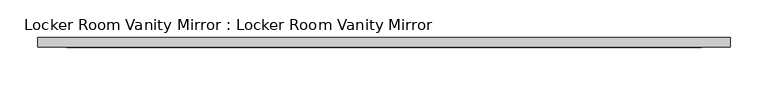
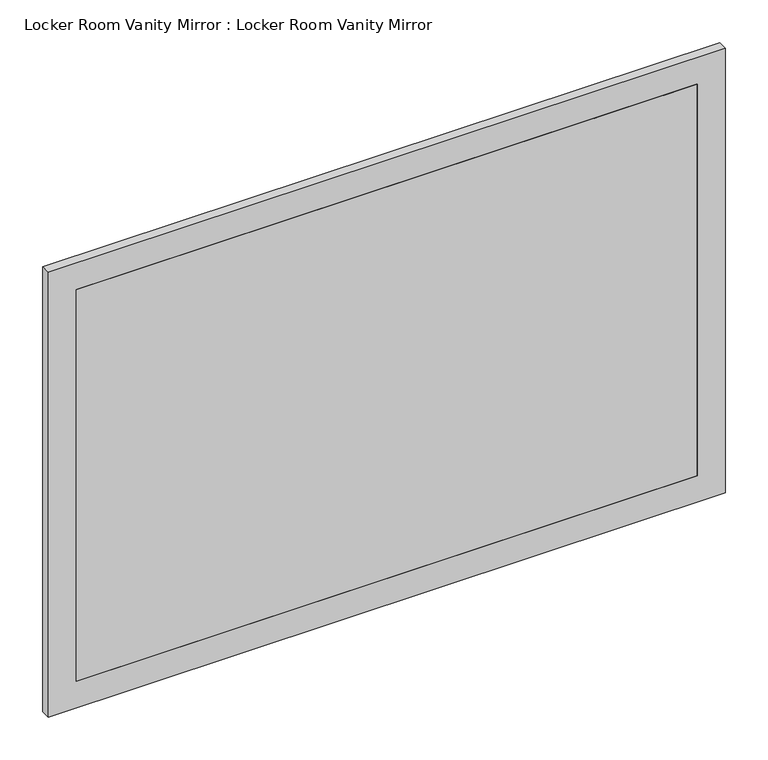
"""IFC4 building model written with IfcOpenShell, lengths in millimetres: furniture geometry, Locker Room Vanity Mirror : Locker Room Vanity Mirror."""

import ifcopenshell
import ifcopenshell.guid

model = None  # the IFC model being written
_history = None  # IfcOwnerHistory: only IFC2X3 demands one
_inside = {}  # id of a spatial element -> (the spatial element, [elements in it])
_under = {}  # id of a project, library or spatial element -> (it, [spatial elements below it])
_declared = {}  # id of a project -> (the project, [libraries it declares])
_typed = {}  # id of a type object -> (the type object, [elements of that type])
_made_of = {}  # id of a material, layer set ... -> (it, [elements and type objects made of it])


def new_model(schema):
    """Start an empty IFC model of exactly this schema.

    Asked for "IFC4X3", IfcOpenShell would pick the latest addendum, in which some entities
    have other attributes; the version numbers below select the first issue.
    IFC2X3 requires an IfcOwnerHistory on every rooted entity: one is made here for all.
    """
    global model, _history
    if schema == "IFC4X3":
        model = ifcopenshell.file(schema_version=(4, 3, 0, 0))
    else:
        model = ifcopenshell.file(schema=schema)
    _inside.clear()
    _under.clear()
    _declared.clear()
    _typed.clear()
    _made_of.clear()
    _history = None
    if model.schema == "IFC2X3":
        org = make("IfcOrganization", Name="unknown")
        user = make(
            "IfcPersonAndOrganization",
            ThePerson=make("IfcPerson", FamilyName="unknown"),
            TheOrganization=org,
        )
        app = make(
            "IfcApplication",
            ApplicationDeveloper=org,
            Version="unknown",
            ApplicationFullName="unknown",
            ApplicationIdentifier="unknown",
        )
        _history = make(
            "IfcOwnerHistory",
            OwningUser=user,
            OwningApplication=app,
            ChangeAction="ADDED",
            CreationDate=0,
        )
    return model


def make(cls, **values):
    """One entity of the class cls with the attributes given. An attribute that is None is left unset."""
    return model.create_entity(
        cls, **{name: value for name, value in values.items() if value is not None}
    )


def rooted(cls, **values):
    """An entity with a GlobalId (a new one), such as an element, a storey or a relation."""
    return make(cls, GlobalId=ifcopenshell.guid.new(), OwnerHistory=_history, **values)


def si_unit(unit_type, name, prefix=None):
    """IfcSIUnit, for example si_unit("LENGTHUNIT", "METRE", prefix="MILLI")."""
    return make("IfcSIUnit", UnitType=unit_type, Prefix=prefix, Name=name)


def assignment(units):
    """IfcUnitAssignment: the units of a project."""
    return None if units is None else make("IfcUnitAssignment", Units=units)


def point(xyz):
    """IfcCartesianPoint."""
    return None if xyz is None else make("IfcCartesianPoint", Coordinates=xyz)


def direction(xyz):
    """IfcDirection."""
    return None if xyz is None else make("IfcDirection", DirectionRatios=xyz)


def frame(location, z_axis=None, x_axis=None):
    """IfcAxis2Placement3D, a coordinate frame: its origin and axes. An axis left out is left unset."""
    return make(
        "IfcAxis2Placement3D",
        Location=point(location),
        Axis=direction(z_axis),
        RefDirection=direction(x_axis),
    )


def origin():
    """The frame at (0, 0, 0) with its axes left unset."""
    return frame((0.0, 0.0, 0.0))


def place(relative_to, where):
    """IfcLocalPlacement: puts the frame where relative to a parent placement (None: the world)."""
    return make(
        "IfcLocalPlacement", PlacementRelTo=relative_to, RelativePlacement=where
    )


def context(
    kind, dimensions, precision=None, world=None, true_north=None, identifier=None
):
    """IfcGeometricRepresentationContext, for example the 3D "Model" context."""
    return make(
        "IfcGeometricRepresentationContext",
        ContextIdentifier=identifier,
        ContextType=kind,
        CoordinateSpaceDimension=dimensions,
        Precision=precision,
        WorldCoordinateSystem=world,
        TrueNorth=true_north,
    )


def project(units=None, contexts=None):
    """IfcProject with its units and contexts."""
    return rooted(
        "IfcProject",
        Name="project",
        RepresentationContexts=contexts,
        UnitsInContext=assignment(units),
    )


def spatial(cls, under=None, at=None, **own):
    """A site, building, storey or space (cls), placed at a placement, below another one or the project."""
    s = rooted(cls, ObjectPlacement=at, **own)
    if under is not None:
        _under.setdefault(under.id(), (under, []))[1].append(s)
    return s


def polyline(points):
    """IfcPolyline through the points."""
    return make("IfcPolyline", Points=[point(p) for p in points])


def outline(outer, holes=None, kind="AREA"):
    """IfcArbitraryClosedProfileDef: a profile drawn as a closed curve; with holes, ...WithVoids."""
    if holes is None:
        return make("IfcArbitraryClosedProfileDef", ProfileType=kind, OuterCurve=outer)
    return make(
        "IfcArbitraryProfileDefWithVoids",
        ProfileType=kind,
        OuterCurve=outer,
        InnerCurves=holes,
    )


def extrude(swept, where, along, depth):
    """IfcExtrudedAreaSolid: the profile swept, set in the frame where, extruded along a direction by depth."""
    return make(
        "IfcExtrudedAreaSolid",
        SweptArea=swept,
        Position=where,
        ExtrudedDirection=direction(along),
        Depth=depth,
    )


def shape(context_of_items, identifier, shape_type, items):
    """IfcShapeRepresentation: the items that make up one representation, for example the "Body"."""
    return make(
        "IfcShapeRepresentation",
        ContextOfItems=context_of_items,
        RepresentationIdentifier=identifier,
        RepresentationType=shape_type,
        Items=items,
    )


def source(mapping_origin, context_of_items, identifier, shape_type, items):
    """IfcRepresentationMap: a shape defined once, which mapped items show again and again."""
    return make(
        "IfcRepresentationMap",
        MappingOrigin=mapping_origin,
        MappedRepresentation=shape(context_of_items, identifier, shape_type, items),
    )


def transform(
    local_origin,
    x_axis=None,
    y_axis=None,
    z_axis=None,
    scale=None,
    scale2=None,
    scale3=None,
    uniform=True,
):
    """IfcCartesianTransformationOperator3D, or its non-uniform kind. x_axis, y_axis, z_axis: its Axis1, 2, 3."""
    if uniform:
        return make(
            "IfcCartesianTransformationOperator3D",
            Axis1=direction(x_axis),
            Axis2=direction(y_axis),
            LocalOrigin=point(local_origin),
            Scale=scale,
            Axis3=direction(z_axis),
        )
    return make(
        "IfcCartesianTransformationOperator3DnonUniform",
        Axis1=direction(x_axis),
        Axis2=direction(y_axis),
        LocalOrigin=point(local_origin),
        Scale=scale,
        Axis3=direction(z_axis),
        Scale2=scale2,
        Scale3=scale3,
    )


def mapped(mapping_source, mapping_target):
    """IfcMappedItem: shows the shape of a source again, moved by a transform."""
    return make(
        "IfcMappedItem", MappingSource=mapping_source, MappingTarget=mapping_target
    )


def made_of(thing, what):
    """Note that an element or type object is made of a material, layer set ...; save() writes the relation."""
    if what is not None:
        _made_of.setdefault(what.id(), (what, []))[1].append(thing)
    return thing


def element(
    cls,
    number,
    at=None,
    inside=None,
    cuts=None,
    type_object=None,
    material=None,
    context=None,
    identifier="Body",
    shape_type=None,
    held_by="IfcProductDefinitionShape",
    body=None,
    shapes=None,
    **own,
):
    """One element of the class cls, such as IfcWall. Its Tag is "e" and its number.

    at: its placement. inside: the storey or other place that contains it. cuts: it is an
    opening in that element (IfcRelVoidsElement). A single representation is given by context,
    identifier, shape_type and body (its items); several are given by shapes. held_by: the class
    of the entity that holds the representations. save() writes the other relations.
    """
    e = rooted(cls, Tag="e%d" % number, ObjectPlacement=at, **own)
    if body is not None:
        shapes = [shape(context, identifier, shape_type, body)]
    if shapes is not None:
        e.Representation = make(held_by, Representations=shapes)
    if inside is not None:
        _inside.setdefault(inside.id(), (inside, []))[1].append(e)
    if cuts is not None:
        rooted(
            "IfcRelVoidsElement", RelatingBuildingElement=cuts, RelatedOpeningElement=e
        )
    if type_object is not None:
        _typed.setdefault(type_object.id(), (type_object, []))[1].append(e)
    return made_of(e, material)


def aggregate(whole, parts):
    """IfcRelAggregates: a whole, such as a stair, and the parts it consists of."""
    return rooted("IfcRelAggregates", RelatingObject=whole, RelatedObjects=parts)


def save(model, path):
    """Write the relations noted so far, then the file.

    IfcRelAggregates (storeys below a building ...), IfcRelContainedInSpatialStructure (elements
    in a storey), IfcRelDefinesByType, IfcRelAssociatesMaterial and IfcRelDeclares: one each for
    every whole, place, type object, material and project.
    """
    for whole, parts in _under.values():
        aggregate(whole, parts)
    for where, things in _inside.values():
        rooted(
            "IfcRelContainedInSpatialStructure",
            RelatedElements=things,
            RelatingStructure=where,
        )
    for kind, things in _typed.values():
        rooted("IfcRelDefinesByType", RelatedObjects=things, RelatingType=kind)
    for what, things in _made_of.values():
        rooted("IfcRelAssociatesMaterial", RelatedObjects=things, RelatingMaterial=what)
    for by, libraries in _declared.values():
        rooted("IfcRelDeclares", RelatingContext=by, RelatedDefinitions=libraries)
    model.write(path)


def locker_room_vanity_mirror_locker_room_vanity_mirror_1e8f864a(model_context):
    return source(origin(), model_context, "Body", "SweptSolid", [
        extrude(outline(polyline([(419.1, 3.175), (419.1, 0.0), (-419.1, 0.0), (-419.1, 3.175), (419.1, 3.175)])), frame((0.0, 0.0, 38.1), z_axis=(0.0, 0.0, 1.0), x_axis=(1.0, 0.0, 0.0)), (0.0, 0.0, 1.0), 558.8),
        extrude(outline(polyline([(419.1, 3.175), (419.1, 0.0), (-419.1, 0.0), (-419.1, 3.175), (419.1, 3.175)])), frame((0.0, 0.0, 38.1), z_axis=(0.0, 0.0, 1.0), x_axis=(1.0, 0.0, 0.0)), (0.0, 0.0, 1.0), 558.8),
        extrude(outline(polyline([(635.0, 457.2), (635.0, -457.2), (0.0, -457.2), (0.0, 457.2), (635.0, 457.2)]), holes=[polyline([(596.9, -419.1), (596.9, 419.1), (38.1, 419.1), (38.1, -419.1), (596.9, -419.1)])]), frame((0.0, 0.0, 0.0), z_axis=(0.0, 1.0, 0.0), x_axis=(0.0, 0.0, 1.0)), (0.0, 0.0, 1.0), 12.7),
    ])


if __name__ == "__main__":
    model = new_model("IFC4")
    model_context = context("Model", 3, world=origin())
    ifc_project = project(units=[si_unit("LENGTHUNIT", "METRE", prefix="MILLI")], contexts=[model_context])
    site = spatial("IfcSite", under=ifc_project)
    building = spatial("IfcBuilding", under=site)
    placement = place(None, origin())
    locker_room_vanity_mirror_locker_room_vanity_mirror_shape = locker_room_vanity_mirror_locker_room_vanity_mirror_1e8f864a(model_context)
    element("IfcFurniture", 1, ObjectType="Locker Room Vanity Mirror : Locker Room Vanity Mirror", at=placement, inside=building, context=model_context, shape_type="MappedRepresentation", body=[
        mapped(locker_room_vanity_mirror_locker_room_vanity_mirror_shape, transform((0.0, 0.0, 0.0), x_axis=(1.0, 0.0, 0.0), y_axis=(0.0, 1.0, 0.0), z_axis=(0.0, 0.0, 1.0))),
    ])
    save(model, "model.ifc")
